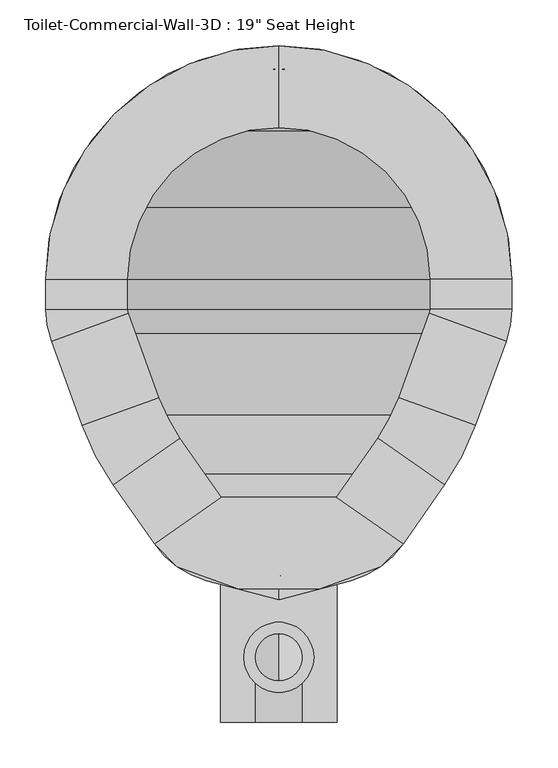
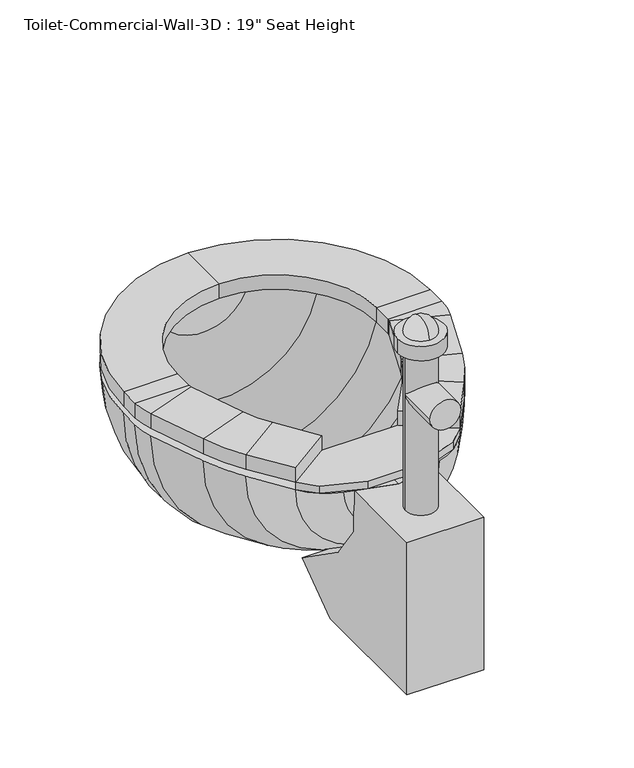
"""IFC4 building model written with IfcOpenShell, lengths in millimetres: flow terminal geometry."""

from ifc_helpers import new_model, si_unit, point, frame, frame_2d, origin, place, context, project, spatial, polyline, circle_curve, ellipse_curve, trimmed, segment, composite_curve, outline, extrude, source, transform, mapped, element, save
from ifc_brep_helpers import plane_surface, cylinder_surface, revolved_surface, advanced_brep


def flow_terminal_4a5f8e69(model_context):
    return source(origin(), model_context, "Body", "SolidModel", [
        extrude(outline(polyline([(467.7541169, 395.8472495), (540.5767337, 344.8563043), (515.6262519, 319.9058226), (449.563909, 295.8610961), (360.2423986, 295.8610961), (294.1800557, 319.9058226), (269.229574, 344.8563043), (342.0521907, 395.8472495), (467.7541169, 395.8472495)])), frame((0.0, 0.0, 444.5), z_axis=(0.0, 0.0, 1.0), x_axis=(1.0, 0.0, 0.0)), (0.0, 0.0, 1.0), 12.7),
        advanced_brep(
        [(467.7541169, 395.8472495, 457.2), (540.5767337, 344.8563043, 457.2), (540.5767337, 344.8563043, 482.6), (467.7541169, 395.8472495, 482.6), (512.8583992, 460.2628403, 457.2), (585.6810159, 409.2718951, 457.2), (585.6810159, 409.2718951, 482.6), (512.8583992, 460.2628403, 482.6), (619.360053, 473.9687234, 457.2), (535.821379, 504.3743141, 457.2), (619.360053, 473.9687234, 482.6), (535.821379, 504.3743141, 482.6), (569.2372501, 596.1836654, 457.2), (652.7759241, 565.7780747, 457.2), (652.7759241, 565.7780747, 482.6), (569.2372501, 596.1836654, 482.6), (658.9031538, 600.5273212, 457.2), (570.0031538, 600.5273212, 457.2), (658.9031538, 600.5273212, 482.6), (570.0031538, 600.5273212, 482.6), (570.0031538, 633.4125, 457.2), (658.9031538, 633.4125, 457.2), (658.9031538, 633.4125, 482.6), (570.0031538, 633.4125, 482.6), (404.9031538, 887.4125, 457.2), (404.9031538, 798.5125, 457.2), (404.9031538, 887.4125, 482.6), (404.9031538, 798.5125, 482.6), (150.9031538, 633.4125, 457.2), (239.8031538, 633.4125, 457.2), (150.9031538, 633.4125, 482.6), (239.8031538, 633.4125, 482.6), (239.8031538, 600.5273212, 457.2), (150.9031538, 600.5273212, 457.2), (150.9031538, 600.5273212, 482.6), (239.8031538, 600.5273212, 482.6), (157.0303835, 565.7780747, 457.2), (240.5690575, 596.1836654, 457.2), (157.0303835, 565.7780747, 482.6), (240.5690575, 596.1836654, 482.6), (273.9849286, 504.3743141, 457.2), (190.4462546, 473.9687234, 457.2), (190.4462546, 473.9687234, 482.6), (273.9849286, 504.3743141, 482.6), (224.1252917, 409.2718951, 457.2), (296.9479084, 460.2628403, 457.2), (224.1252917, 409.2718951, 482.6), (296.9479084, 460.2628403, 482.6), (342.0521907, 395.8472495, 457.2), (342.0521907, 395.8472495, 482.6), (269.229574, 344.8563043, 482.6), (269.229574, 344.8563043, 457.2)],
        [
            (0, 1),
            (1, 2),
            (2, 3),
            (3, 0),
            (0, 4),
            (4, 5),
            (5, 1),
            (5, 6),
            (6, 2),
            (6, 7),
            (7, 3),
            (7, 4),
            (8, 5, circle_curve(frame((356.8099347, 569.5291514, 457.2), z_axis=(0.0, 0.0, -1.0), x_axis=(0.81915204428899, -0.5735764363510486, 0.0)), 279.4)),
            (4, 9, circle_curve(frame((356.8099347, 569.5291514, 457.2), z_axis=(0.0, 0.0, 1.0), x_axis=(0.81915204428899, -0.5735764363510486, 0.0)), 190.5)),
            (9, 8),
            (10, 6, circle_curve(frame((356.8099347, 569.5291514, 482.6), z_axis=(0.0, 0.0, -1.0), x_axis=(0.81915204428899, -0.5735764363510486, 0.0)), 279.4)),
            (8, 10),
            (11, 7, circle_curve(frame((356.8099347, 569.5291514, 482.6), z_axis=(0.0, 0.0, -1.0), x_axis=(0.81915204428899, -0.5735764363510486, 0.0)), 190.5)),
            (10, 11),
            (11, 9),
            (9, 12),
            (12, 13),
            (13, 8),
            (13, 14),
            (14, 10),
            (14, 15),
            (15, 11),
            (15, 12),
            (16, 13, circle_curve(frame((557.3031538, 600.5273212, 457.2), z_axis=(0.0, 0.0, -1.0), x_axis=(0.939692620785906, -0.34202014332567526, 0.0)), 101.6)),
            (12, 17, circle_curve(frame((557.3031538, 600.5273212, 457.2), z_axis=(0.0, 0.0, 1.0), x_axis=(0.939692620785906, -0.34202014332567526, 0.0)), 12.7)),
            (17, 16),
            (18, 14, circle_curve(frame((557.3031538, 600.5273212, 482.6), z_axis=(0.0, 0.0, -1.0), x_axis=(0.939692620785906, -0.34202014332567526, 0.0)), 101.6)),
            (16, 18),
            (19, 15, circle_curve(frame((557.3031538, 600.5273212, 482.6), z_axis=(0.0, 0.0, -1.0), x_axis=(0.939692620785906, -0.34202014332567526, 0.0)), 12.7)),
            (18, 19),
            (19, 17),
            (17, 20),
            (20, 21),
            (21, 16),
            (21, 22),
            (22, 18),
            (22, 23),
            (23, 19),
            (23, 20),
            (24, 21, circle_curve(frame((404.9031538, 633.4125, 457.2), z_axis=(0.0, 0.0, -1.0), x_axis=(1.0, 0.0, 0.0)), 254.0)),
            (20, 25, circle_curve(frame((404.9031538, 633.4125, 457.2), z_axis=(0.0, 0.0, 1.0), x_axis=(1.0, 0.0, 0.0)), 165.1)),
            (25, 24),
            (26, 22, circle_curve(frame((404.9031538, 633.4125, 482.6), z_axis=(0.0, 0.0, -1.0), x_axis=(1.0, 0.0, 0.0)), 254.0)),
            (24, 26),
            (27, 23, circle_curve(frame((404.9031538, 633.4125, 482.6), z_axis=(0.0, 0.0, -1.0), x_axis=(1.0, 0.0, 0.0)), 165.1)),
            (26, 27),
            (27, 25),
            (28, 24, circle_curve(frame((404.9031538, 633.4125, 457.2), z_axis=(0.0, 0.0, -1.0), x_axis=(0.0, 1.0, 0.0)), 254.0)),
            (25, 29, circle_curve(frame((404.9031538, 633.4125, 457.2), z_axis=(0.0, 0.0, 1.0), x_axis=(0.0, 1.0, 0.0)), 165.1)),
            (29, 28),
            (30, 26, circle_curve(frame((404.9031538, 633.4125, 482.6), z_axis=(0.0, 0.0, -1.0), x_axis=(0.0, 1.0, 0.0)), 254.0)),
            (28, 30),
            (31, 27, circle_curve(frame((404.9031538, 633.4125, 482.6), z_axis=(0.0, 0.0, -1.0), x_axis=(0.0, 1.0, 0.0)), 165.1)),
            (30, 31),
            (31, 29),
            (29, 32),
            (32, 33),
            (33, 28),
            (33, 34),
            (34, 30),
            (34, 35),
            (35, 31),
            (35, 32),
            (36, 33, circle_curve(frame((252.5031538, 600.5273212, 457.2), z_axis=(0.0, 0.0, -1.0), x_axis=(-1.0, 0.0, 0.0)), 101.6)),
            (32, 37, circle_curve(frame((252.5031538, 600.5273212, 457.2), z_axis=(0.0, 0.0, 1.0), x_axis=(-1.0, 0.0, 0.0)), 12.7)),
            (37, 36),
            (38, 34, circle_curve(frame((252.5031538, 600.5273212, 482.6), z_axis=(0.0, 0.0, -1.0), x_axis=(-1.0, 0.0, 0.0)), 101.6)),
            (36, 38),
            (39, 35, circle_curve(frame((252.5031538, 600.5273212, 482.6), z_axis=(0.0, 0.0, -1.0), x_axis=(-1.0, 0.0, 0.0)), 12.7)),
            (38, 39),
            (39, 37),
            (37, 40),
            (40, 41),
            (41, 36),
            (41, 42),
            (42, 38),
            (42, 43),
            (43, 39),
            (43, 40),
            (44, 41, circle_curve(frame((452.9963729, 569.5291514, 457.2), z_axis=(0.0, 0.0, -1.0), x_axis=(-0.9396926207859088, -0.3420201433256676, 0.0)), 279.4)),
            (40, 45, circle_curve(frame((452.9963729, 569.5291514, 457.2), z_axis=(0.0, 0.0, 1.0), x_axis=(-0.9396926207859088, -0.3420201433256676, 0.0)), 190.5)),
            (45, 44),
            (46, 42, circle_curve(frame((452.9963729, 569.5291514, 482.6), z_axis=(0.0, 0.0, -1.0), x_axis=(-0.9396926207859088, -0.3420201433256676, 0.0)), 279.4)),
            (44, 46),
            (47, 43, circle_curve(frame((452.9963729, 569.5291514, 482.6), z_axis=(0.0, 0.0, -1.0), x_axis=(-0.9396926207859088, -0.3420201433256676, 0.0)), 190.5)),
            (46, 47),
            (47, 45),
            (48, 49),
            (49, 50),
            (50, 51),
            (51, 48),
            (45, 48),
            (51, 44),
            (50, 46),
            (49, 47),
        ],
        [
            plane_surface(frame((540.5767337, 344.8563043, 541.2203184), z_axis=(-0.5735764363510383, -0.8191520442889972, 0.0), x_axis=(0.8191520442889972, -0.5735764363510383, 0.0))),
            plane_surface(frame((467.7541169, 395.8472495, 457.2), z_axis=(0.0, 0.0, -1.0), x_axis=(0.573576436351038, 0.8191520442889975, 0.0))),
            plane_surface(frame((540.5767337, 344.8563043, 457.2), z_axis=(0.8191520442889971, -0.5735764363510386, 0.0), x_axis=(0.5735764363510386, 0.8191520442889971, 0.0))),
            plane_surface(frame((540.5767337, 344.8563043, 482.6), z_axis=(0.0, 0.0, 1.0000000000000002), x_axis=(0.5735764363510377, 0.8191520442889978, 0.0))),
            plane_surface(frame((467.7541169, 395.8472495, 482.6), z_axis=(-0.8191520442889973, 0.5735764363510383, 0.0), x_axis=(0.5735764363510383, 0.8191520442889973, 0.0))),
            plane_surface(frame((356.8099347, 569.5291514, 457.2), z_axis=(0.0, 0.0, -1.0), x_axis=(0.81915204428899, -0.5735764363510486, 0.0))),
            cylinder_surface(frame((356.8099347, 569.5291514, 444.5), z_axis=(0.0, 0.0, 1.0), x_axis=(0.81915204428899, -0.5735764363510486, 0.0)), 279.4),
            plane_surface(frame((356.8099347, 569.5291514, 482.6), z_axis=(0.0, 0.0, 1.0), x_axis=(0.81915204428899, -0.5735764363510486, 0.0))),
            revolved_surface(polyline([(512.8583991370526, 460.2628402751253, 482.6), (512.8583991370526, 460.2628402751253, 457.2)]), (356.8099347, 569.5291514, 444.5), (0.0, 0.0, 1.0)),
            plane_surface(frame((535.821379, 504.3743141, 457.2), z_axis=(0.0, 0.0, -1.0000000000000002), x_axis=(0.34202014332566616, 0.9396926207859094, 0.0))),
            plane_surface(frame((619.360053, 473.9687234, 457.2), z_axis=(0.93969262078591, -0.3420201433256645, 0.0), x_axis=(0.3420201433256645, 0.93969262078591, 0.0))),
            plane_surface(frame((619.360053, 473.9687234, 482.6), z_axis=(0.0, 0.0, 1.0000000000000002), x_axis=(0.3420201433256645, 0.93969262078591, 0.0))),
            plane_surface(frame((535.821379, 504.3743141, 482.6), z_axis=(-0.9396926207859094, 0.34202014332566616, 0.0), x_axis=(0.34202014332566616, 0.9396926207859094, 0.0))),
            plane_surface(frame((557.3031538, 600.5273212, 457.2), z_axis=(0.0, 0.0, -1.0), x_axis=(0.939692620785906, -0.34202014332567526, 0.0))),
            cylinder_surface(frame((557.3031538, 600.5273212, 444.5), z_axis=(0.0, 0.0, 1.0), x_axis=(0.939692620785906, -0.34202014332567526, 0.0)), 101.6),
            plane_surface(frame((557.3031538, 600.5273212, 482.6), z_axis=(0.0, 0.0, 1.0), x_axis=(0.939692620785906, -0.34202014332567526, 0.0))),
            revolved_surface(polyline([(569.237250083981, 596.1836653797639, 482.6), (569.237250083981, 596.1836653797639, 457.2)]), (557.3031538, 600.5273212, 444.5), (0.0, 0.0, 1.0)),
            plane_surface(frame((570.0031538, 600.5273212, 457.2), z_axis=(0.0, 0.0, -1.0), x_axis=(0.0, 1.0, 0.0))),
            plane_surface(frame((658.9031538, 600.5273212, 457.2), z_axis=(1.0, 0.0, 0.0), x_axis=(0.0, 1.0, 0.0))),
            plane_surface(frame((658.9031538, 600.5273212, 482.6), z_axis=(0.0, 0.0, 1.0), x_axis=(0.0, 1.0, 0.0))),
            plane_surface(frame((570.0031538, 600.5273212, 482.6), z_axis=(-1.0, 0.0, 0.0), x_axis=(0.0, 1.0, 0.0))),
            plane_surface(frame((404.9031538, 633.4125, 457.2), z_axis=(0.0, 0.0, -1.0), x_axis=(1.0, 0.0, 0.0))),
            cylinder_surface(frame((404.9031538, 633.4125, 444.5), z_axis=(0.0, 0.0, 1.0), x_axis=(1.0, 0.0, 0.0)), 254.0),
            plane_surface(frame((404.9031538, 633.4125, 482.6), z_axis=(0.0, 0.0, 1.0), x_axis=(1.0, 0.0, 0.0))),
            revolved_surface(polyline([(570.0031538, 633.4125, 482.6), (570.0031538, 633.4125, 457.2)]), (404.9031538, 633.4125, 444.5), (0.0, 0.0, 1.0)),
            plane_surface(frame((404.9031538, 633.4125, 457.2), z_axis=(0.0, 0.0, -1.0), x_axis=(0.0, 1.0, 0.0))),
            cylinder_surface(frame((404.9031538, 633.4125, 444.5), z_axis=(0.0, 0.0, 1.0), x_axis=(0.0, 1.0, 0.0)), 254.0),
            plane_surface(frame((404.9031538, 633.4125, 482.6), z_axis=(0.0, 0.0, 1.0), x_axis=(0.0, 1.0, 0.0))),
            revolved_surface(polyline([(404.9031538, 798.5125, 482.6), (404.9031538, 798.5125, 457.2)]), (404.9031538, 633.4125, 444.5), (0.0, 0.0, 1.0)),
            plane_surface(frame((239.8031538, 633.4125, 457.2), z_axis=(0.0, 0.0, -1.0), x_axis=(0.0, -1.0, 0.0))),
            plane_surface(frame((150.9031538, 633.4125, 457.2), z_axis=(-1.0, 0.0, 0.0), x_axis=(0.0, -1.0, 0.0))),
            plane_surface(frame((150.9031538, 633.4125, 482.6), z_axis=(0.0, 0.0, 1.0), x_axis=(0.0, -1.0, 0.0))),
            plane_surface(frame((239.8031538, 633.4125, 482.6), z_axis=(1.0, 0.0, 0.0), x_axis=(0.0, -1.0, 0.0))),
            plane_surface(frame((252.5031538, 600.5273212, 457.2), z_axis=(0.0, 0.0, -1.0), x_axis=(-1.0, 0.0, 0.0))),
            cylinder_surface(frame((252.5031538, 600.5273212, 444.5), z_axis=(0.0, 0.0, 1.0), x_axis=(-1.0, 0.0, 0.0)), 101.6),
            plane_surface(frame((252.5031538, 600.5273212, 482.6), z_axis=(0.0, 0.0, 1.0), x_axis=(-1.0, 0.0, 0.0))),
            revolved_surface(polyline([(239.80315380000002, 600.5273212, 482.6), (239.80315380000002, 600.5273212, 457.2)]), (252.5031538, 600.5273212, 444.5), (0.0, 0.0, 1.0)),
            plane_surface(frame((240.5690575, 596.1836654, 457.2), z_axis=(0.0, 0.0, -1.0), x_axis=(0.34202014332565567, -0.9396926207859132, 0.0))),
            plane_surface(frame((157.0303835, 565.7780747, 457.2), z_axis=(-0.9396926207859132, -0.34202014332565556, 0.0), x_axis=(0.34202014332565556, -0.9396926207859132, 0.0))),
            plane_surface(frame((157.0303835, 565.7780747, 482.6), z_axis=(0.0, 0.0, 1.0), x_axis=(0.3420201433256559, -0.9396926207859131, 0.0))),
            plane_surface(frame((240.5690575, 596.1836654, 482.6), z_axis=(0.9396926207859132, 0.34202014332565567, 0.0), x_axis=(0.34202014332565567, -0.9396926207859132, 0.0))),
            plane_surface(frame((452.9963729, 569.5291514, 457.2), z_axis=(0.0, 0.0, -1.0), x_axis=(-0.9396926207859088, -0.3420201433256676, 0.0))),
            cylinder_surface(frame((452.9963729, 569.5291514, 444.5), z_axis=(0.0, 0.0, 1.0), x_axis=(-0.9396926207859088, -0.3420201433256676, 0.0)), 279.4),
            plane_surface(frame((452.9963729, 569.5291514, 482.6), z_axis=(0.0, 0.0, 1.0), x_axis=(-0.9396926207859088, -0.3420201433256676, 0.0))),
            revolved_surface(polyline([(273.98492864028435, 504.37431409646035, 482.6), (273.98492864028435, 504.37431409646035, 457.2)]), (452.9963729, 569.5291514, 444.5), (0.0, 0.0, 1.0)),
            plane_surface(frame((269.229574, 344.8563043, 347.7796816), z_axis=(0.5735764363510499, -0.8191520442889892, 0.0), x_axis=(0.8191520442889892, 0.5735764363510499, 0.0))),
            plane_surface(frame((296.9479084, 460.2628403, 457.2), z_axis=(0.0, 0.0, -1.0000000000000002), x_axis=(0.57357643635105, -0.8191520442889891, 0.0))),
            plane_surface(frame((224.1252917, 409.2718951, 457.2), z_axis=(-0.8191520442889892, -0.5735764363510497, 0.0), x_axis=(0.5735764363510497, -0.8191520442889892, 0.0))),
            plane_surface(frame((224.1252917, 409.2718951, 482.6), z_axis=(0.0, 0.0, 1.0), x_axis=(0.5735764363510497, -0.8191520442889892, 0.0))),
            plane_surface(frame((296.9479084, 460.2628403, 482.6), z_axis=(0.8191520442889894, 0.5735764363510496, 0.0), x_axis=(0.5735764363510496, -0.8191520442889894, 0.0))),
        ],
        [
            (0, [[1, 2, 3, 4]]),
            (1, [[-1, 5, 6, 7]]),
            (2, [[-2, -7, 8, 9]]),
            (3, [[-3, -9, 10, 11]]),
            (4, [[-4, -11, 12, -5]]),
            (5, [[13, -6, 14, 15]]),
            (6, [[16, -8, -13, 17]]),
            (7, [[18, -10, -16, 19]]),
            (8, [[-14, -12, -18, 20]]),
            (9, [[-15, 21, 22, 23]]),
            (10, [[-17, -23, 24, 25]]),
            (11, [[-19, -25, 26, 27]]),
            (12, [[-20, -27, 28, -21]]),
            (13, [[29, -22, 30, 31]]),
            (14, [[32, -24, -29, 33]]),
            (15, [[34, -26, -32, 35]]),
            (16, [[-30, -28, -34, 36]]),
            (17, [[-31, 37, 38, 39]]),
            (18, [[-33, -39, 40, 41]]),
            (19, [[-35, -41, 42, 43]]),
            (20, [[-36, -43, 44, -37]]),
            (21, [[45, -38, 46, 47]]),
            (22, [[48, -40, -45, 49]]),
            (23, [[50, -42, -48, 51]]),
            (24, [[-46, -44, -50, 52]]),
            (25, [[53, -47, 54, 55]]),
            (26, [[56, -49, -53, 57]]),
            (27, [[58, -51, -56, 59]]),
            (28, [[-54, -52, -58, 60]]),
            (29, [[-55, 61, 62, 63]]),
            (30, [[-57, -63, 64, 65]]),
            (31, [[-59, -65, 66, 67]]),
            (32, [[-60, -67, 68, -61]]),
            (33, [[69, -62, 70, 71]]),
            (34, [[72, -64, -69, 73]]),
            (35, [[74, -66, -72, 75]]),
            (36, [[-70, -68, -74, 76]]),
            (37, [[-71, 77, 78, 79]]),
            (38, [[-73, -79, 80, 81]]),
            (39, [[-75, -81, 82, 83]]),
            (40, [[-76, -83, 84, -77]]),
            (41, [[85, -78, 86, 87]]),
            (42, [[88, -80, -85, 89]]),
            (43, [[90, -82, -88, 91]]),
            (44, [[-86, -84, -90, 92]]),
            (45, [[93, 94, 95, 96]]),
            (46, [[-87, 97, -96, 98]]),
            (47, [[-89, -98, -95, 99]]),
            (48, [[-91, -99, -94, 100]]),
            (49, [[-92, -100, -93, -97]]),
        ],
    ),
        advanced_brep(
        [(491.7762702, 872.0944257, 444.5), (404.9031538, 887.4125, 444.5), (404.9031538, 862.0125, 444.5), (483.0889586, 848.2262331, 444.5), (566.547764, 795.0571102, 444.5), (619.7168869, 711.5983048, 444.5), (633.5031538, 633.4125, 444.5), (633.5031538, 600.5273212, 444.5), (628.9077315, 574.4653863, 444.5), (596.6355667, 485.7983422, 444.5), (562.9565296, 421.1015139, 444.5), (525.0728964, 366.9980786, 444.5), (468.1430637, 327.1353806, 444.5), (404.9031538, 310.1902978, 444.5), (404.9031538, 283.8942829, 444.5), (483.6469009, 304.9936063, 444.5), (540.5767337, 344.8563043, 444.5), (585.6810159, 409.2718951, 444.5), (619.360053, 473.9687234, 444.5), (652.7759241, 565.7780747, 444.5), (658.9031538, 600.5273212, 444.5), (658.9031538, 633.4125, 444.5), (643.5850795, 720.2856164, 444.5), (584.5082762, 813.0176224, 444.5), (318.0300374, 872.0944257, 444.5), (225.2980314, 813.0176224, 444.5), (166.2212281, 720.2856164, 444.5), (150.9031538, 633.4125, 444.5), (150.9031538, 600.5273212, 444.5), (157.0303835, 565.7780747, 444.5), (190.4462546, 473.9687234, 444.5), (224.1252917, 409.2718951, 444.5), (269.229574, 344.8563043, 444.5), (326.1594067, 304.9936063, 444.5), (341.663244, 327.1353806, 444.5), (284.7334112, 366.9980786, 444.5), (246.849778, 421.1015139, 444.5), (213.1707409, 485.7983422, 444.5), (180.8985761, 574.4653863, 444.5), (176.3031538, 600.5273212, 444.5), (176.3031538, 633.4125, 444.5), (190.0894207, 711.5983048, 444.5), (243.2585436, 795.0571102, 444.5), (326.7173491, 848.2262331, 444.5)],
        [
            (0, 1, circle_curve(frame((404.9031538, 633.4125, 444.5), z_axis=(0.0, 0.0, 1.0), x_axis=(1.0, 0.0, 0.0)), 254.0)),
            (1, 2),
            (2, 3, circle_curve(frame((404.9031538, 633.4125, 444.5), z_axis=(0.0, 0.0, -1.0), x_axis=(1.0, 0.0, 0.0)), 228.6)),
            (3, 4, circle_curve(frame((404.9031538, 633.4125, 444.5), z_axis=(0.0, 0.0, -1.0), x_axis=(1.0, 0.0, 0.0)), 228.6)),
            (4, 5, circle_curve(frame((404.9031538, 633.4125, 444.5), z_axis=(0.0, 0.0, -1.0), x_axis=(1.0, 0.0, 0.0)), 228.6)),
            (5, 6, circle_curve(frame((404.9031538, 633.4125, 444.5), z_axis=(0.0, 0.0, -1.0), x_axis=(1.0, 0.0, 0.0)), 228.6)),
            (6, 7),
            (7, 8, circle_curve(frame((557.3031538, 600.5273212, 444.5), z_axis=(0.0, 0.0, -1.0), x_axis=(1.0, 0.0, 0.0)), 76.2)),
            (8, 9),
            (9, 10, circle_curve(frame((334.0854485, 581.3587703, 444.5), z_axis=(0.0, 0.0, -1.0), x_axis=(1.0, 0.0, 0.0)), 279.4)),
            (10, 11),
            (11, 12, circle_curve(frame((441.8470487, 425.2734446, 444.5), z_axis=(0.0, 0.0, -1.0), x_axis=(1.0, 0.0, 0.0)), 101.6)),
            (12, 13),
            (13, 14),
            (14, 15),
            (15, 16, circle_curve(frame((457.350886, 403.1316703, 444.5), z_axis=(0.0, 0.0, 1.0), x_axis=(1.0, 0.0, 0.0)), 101.6)),
            (16, 17),
            (17, 18, circle_curve(frame((356.8099347, 569.5291514, 444.5), z_axis=(0.0, 0.0, 1.0), x_axis=(1.0, 0.0, 0.0)), 279.4)),
            (18, 19),
            (19, 20, circle_curve(frame((557.3031538, 600.5273212, 444.5), z_axis=(0.0, 0.0, 1.0), x_axis=(1.0, 0.0, 0.0)), 101.6)),
            (20, 21),
            (21, 22, circle_curve(frame((404.9031538, 633.4125, 444.5), z_axis=(0.0, 0.0, 1.0), x_axis=(1.0, 0.0, 0.0)), 254.0)),
            (22, 23, circle_curve(frame((404.9031538, 633.4125, 444.5), z_axis=(0.0, 0.0, 1.0), x_axis=(1.0, 0.0, 0.0)), 254.0)),
            (23, 0, circle_curve(frame((404.9031538, 633.4125, 444.5), z_axis=(0.0, 0.0, 1.0), x_axis=(1.0, 0.0, 0.0)), 254.0)),
            (24, 25, circle_curve(frame((404.9031538, 633.4125, 444.5), z_axis=(0.0, 0.0, 1.0), x_axis=(-1.0, 0.0, 0.0)), 254.0)),
            (25, 26, circle_curve(frame((404.9031538, 633.4125, 444.5), z_axis=(0.0, 0.0, 1.0), x_axis=(-1.0, 0.0, 0.0)), 254.0)),
            (26, 27, circle_curve(frame((404.9031538, 633.4125, 444.5), z_axis=(0.0, 0.0, 1.0), x_axis=(-1.0, 0.0, 0.0)), 254.0)),
            (27, 28),
            (28, 29, circle_curve(frame((252.5031538, 600.5273212, 444.5), z_axis=(0.0, 0.0, 1.0), x_axis=(-1.0, 0.0, 0.0)), 101.6)),
            (29, 30),
            (30, 31, circle_curve(frame((452.9963729, 569.5291514, 444.5), z_axis=(0.0, 0.0, 1.0), x_axis=(-1.0, 0.0, 0.0)), 279.4)),
            (31, 32),
            (32, 33, circle_curve(frame((352.4554217, 403.1316703, 444.5), z_axis=(0.0, 0.0, 1.0), x_axis=(-1.0, 0.0, 0.0)), 101.6)),
            (33, 14),
            (13, 34),
            (34, 35, circle_curve(frame((367.9592589, 425.2734446, 444.5), z_axis=(0.0, 0.0, -1.0), x_axis=(-1.0, 0.0, 0.0)), 101.6)),
            (35, 36),
            (36, 37, circle_curve(frame((475.7208592, 581.3587703, 444.5), z_axis=(0.0, 0.0, -1.0), x_axis=(-1.0, 0.0, 0.0)), 279.4)),
            (37, 38),
            (38, 39, circle_curve(frame((252.5031538, 600.5273212, 444.5), z_axis=(0.0, 0.0, -1.0), x_axis=(-1.0, 0.0, 0.0)), 76.2)),
            (39, 40),
            (40, 41, circle_curve(frame((404.9031538, 633.4125, 444.5), z_axis=(0.0, 0.0, -1.0), x_axis=(-1.0, 0.0, 0.0)), 228.6)),
            (41, 42, circle_curve(frame((404.9031538, 633.4125, 444.5), z_axis=(0.0, 0.0, -1.0), x_axis=(-1.0, 0.0, 0.0)), 228.6)),
            (42, 43, circle_curve(frame((404.9031538, 633.4125, 444.5), z_axis=(0.0, 0.0, -1.0), x_axis=(-1.0, 0.0, 0.0)), 228.6)),
            (43, 2, circle_curve(frame((404.9031538, 633.4125, 444.5), z_axis=(0.0, 0.0, -1.0), x_axis=(-1.0, 0.0, 0.0)), 228.6)),
            (1, 24, circle_curve(frame((404.9031538, 633.4125, 444.5), z_axis=(0.0, 0.0, 1.0), x_axis=(-1.0, 0.0, 0.0)), 254.0)),
            (0, 24, circle_curve(frame((404.9031538, 872.0944257, 444.5), z_axis=(0.0, 1.0, 0.0), x_axis=(1.0, 0.0, 0.0)), 86.8731164)),
            (43, 3, circle_curve(frame((404.9031538, 848.2262331, 444.5), z_axis=(0.0, -1.0, 0.0), x_axis=(1.0, 0.0, 0.0)), 78.1858048)),
            (42, 4, circle_curve(frame((404.9031538, 795.0571102, 444.5), z_axis=(0.0, -1.0, 0.0), x_axis=(1.0, 0.0, 0.0)), 161.6446102)),
            (41, 5, circle_curve(frame((404.9031538, 711.5983048, 444.5), z_axis=(0.0, -1.0, 0.0), x_axis=(1.0, 0.0, 0.0)), 214.8137331)),
            (40, 6, circle_curve(frame((404.9031538, 633.4125, 444.5), z_axis=(0.0, -1.0, 0.0), x_axis=(1.0, 0.0, 0.0)), 228.6)),
            (39, 7, circle_curve(frame((404.9031538, 600.5273212, 444.5), z_axis=(0.0, -1.0, 0.0), x_axis=(1.0, 0.0, 0.0)), 228.6)),
            (38, 8, circle_curve(frame((404.9031538, 574.4653863, 444.5), z_axis=(0.0, -1.0, 0.0), x_axis=(1.0, 0.0, 0.0)), 224.0045777)),
            (37, 9, circle_curve(frame((404.9031538, 485.7983422, 444.5), z_axis=(0.0, -1.0, 0.0), x_axis=(1.0, 0.0, 0.0)), 191.7324129)),
            (36, 10, circle_curve(frame((404.9031538, 421.1015139, 444.5), z_axis=(0.0, -1.0, 0.0), x_axis=(1.0, 0.0, 0.0)), 158.0533758)),
            (35, 11, circle_curve(frame((404.9031538, 366.9980786, 444.5), z_axis=(0.0, -1.0, 0.0), x_axis=(1.0, 0.0, 0.0)), 120.1697426)),
            (34, 12, circle_curve(frame((404.9031538, 327.1353806, 444.5), z_axis=(0.0, -1.0, 0.0), x_axis=(1.0, 0.0, 0.0)), 63.2399099)),
            (33, 15, circle_curve(frame((404.9031538, 304.9936063, 444.5), z_axis=(0.0, -1.0, 0.0), x_axis=(1.0, 0.0, 0.0)), 78.7437471)),
            (32, 16, circle_curve(frame((404.9031538, 344.8563043, 444.5), z_axis=(0.0, -1.0, 0.0), x_axis=(1.0, 0.0, 0.0)), 135.6735798)),
            (31, 17, circle_curve(frame((404.9031538, 409.2718951, 444.5), z_axis=(0.0, -1.0, 0.0), x_axis=(1.0, 0.0, 0.0)), 180.7778621)),
            (30, 18, circle_curve(frame((404.9031538, 473.9687234, 444.5), z_axis=(0.0, -1.0, 0.0), x_axis=(1.0, 0.0, 0.0)), 214.4568992)),
            (29, 19, circle_curve(frame((404.9031538, 565.7780747, 444.5), z_axis=(0.0, -1.0, 0.0), x_axis=(1.0, 0.0, 0.0)), 247.8727703)),
            (28, 20, circle_curve(frame((404.9031538, 600.5273212, 444.5), z_axis=(0.0, -1.0, 0.0), x_axis=(1.0, 0.0, 0.0)), 254.0)),
            (27, 21, circle_curve(frame((404.9031538, 633.4125, 444.5), z_axis=(0.0, -1.0, 0.0), x_axis=(1.0, 0.0, 0.0)), 254.0)),
            (26, 22, circle_curve(frame((404.9031538, 720.2856164, 444.5), z_axis=(0.0, -1.0, 0.0), x_axis=(1.0, 0.0, 0.0)), 238.6819257)),
            (25, 23, circle_curve(frame((404.9031538, 813.0176224, 444.5), z_axis=(0.0, -1.0, 0.0), x_axis=(1.0, 0.0, 0.0)), 179.6051224)),
        ],
        [
            plane_surface(frame((404.9031538, 992.6227448, 444.5), z_axis=(0.0, 0.0, 1.0), x_axis=(1.0, 0.0, 0.0))),
            plane_surface(frame((404.9031538, 992.6227448, 444.5), z_axis=(0.0, 0.0, 1.0), x_axis=(-1.0, 0.0, 0.0))),
            revolved_surface(trimmed(ellipse_curve(frame((404.9031538, 633.4125, 444.5), z_axis=(0.0, 0.0, 1.0), x_axis=(1.0, 0.0, 0.0)), 254.0, 254.0), [point((491.7762702, 872.0944257, 444.5))], [point((404.9031538, 887.4125, 444.5))], True, "CARTESIAN"), (404.9031538, 992.6227448, 444.5), (0.0, 1.0, 0.0)),
            revolved_surface(trimmed(ellipse_curve(frame((404.9031538, 633.4125, 444.5), z_axis=(0.0, 0.0, -1.0), x_axis=(1.0, 0.0, 0.0)), 228.6, 228.6), [point((404.9031538, 862.0125, 444.5))], [point((483.0889586, 848.2262331, 444.5))], True, "CARTESIAN"), (404.9031538, 992.6227448, 444.5), (0.0, 1.0, 0.0)),
            revolved_surface(trimmed(ellipse_curve(frame((404.9031538, 633.4125, 444.5), z_axis=(0.0, 0.0, -1.0), x_axis=(1.0, 0.0, 0.0)), 228.6, 228.6), [point((483.0889586, 848.2262331, 444.5))], [point((566.547764, 795.0571102, 444.5))], True, "CARTESIAN"), (404.9031538, 992.6227448, 444.5), (0.0, 1.0, 0.0)),
            revolved_surface(trimmed(ellipse_curve(frame((404.9031538, 633.4125, 444.5), z_axis=(0.0, 0.0, -1.0), x_axis=(1.0, 0.0, 0.0)), 228.6, 228.6), [point((566.547764, 795.0571102, 444.5))], [point((619.7168869, 711.5983048, 444.5))], True, "CARTESIAN"), (404.9031538, 992.6227448, 444.5), (0.0, 1.0, 0.0)),
            revolved_surface(trimmed(ellipse_curve(frame((404.9031538, 633.4125, 444.5), z_axis=(0.0, 0.0, -1.0), x_axis=(1.0, 0.0, 0.0)), 228.6, 228.6), [point((619.7168869, 711.5983048, 444.5))], [point((633.5031538, 633.4125, 444.5))], True, "CARTESIAN"), (404.9031538, 992.6227448, 444.5), (0.0, 1.0, 0.0)),
            revolved_surface(polyline([(633.5031538, 633.4125, 444.5), (633.5031538, 600.5273212, 444.5)]), (404.9031538, 992.6227448, 444.5), (0.0, 1.0, 0.0)),
            revolved_surface(trimmed(ellipse_curve(frame((557.3031538, 600.5273212, 444.5), z_axis=(0.0, 0.0, -1.0), x_axis=(1.0, 0.0, 0.0)), 76.2, 76.2), [point((633.5031538, 600.5273212, 444.5))], [point((628.9077315, 574.4653863, 444.5))], True, "CARTESIAN"), (404.9031538, 992.6227448, 444.5), (0.0, 1.0, 0.0)),
            revolved_surface(polyline([(628.9077315, 574.4653863, 444.5), (596.6355667, 485.7983422, 444.5)]), (404.9031538, 992.6227448, 444.5), (0.0, 1.0, 0.0)),
            revolved_surface(trimmed(ellipse_curve(frame((334.0854485, 581.3587703, 444.5), z_axis=(0.0, 0.0, -1.0), x_axis=(1.0, 0.0, 0.0)), 279.4, 279.4), [point((596.6355667, 485.7983422, 444.5))], [point((562.9565296, 421.1015139, 444.5))], True, "CARTESIAN"), (404.9031538, 992.6227448, 444.5), (0.0, 1.0, 0.0)),
            revolved_surface(polyline([(562.9565296, 421.1015139, 444.5), (525.0728964, 366.9980786, 444.5)]), (404.9031538, 992.6227448, 444.5), (0.0, 1.0, 0.0)),
            revolved_surface(trimmed(ellipse_curve(frame((441.8470487, 425.2734446, 444.5), z_axis=(0.0, 0.0, -1.0), x_axis=(1.0, 0.0, 0.0)), 101.6, 101.6), [point((525.0728964, 366.9980786, 444.5))], [point((468.1430637, 327.1353806, 444.5))], True, "CARTESIAN"), (404.9031538, 992.6227448, 444.5), (0.0, 1.0, 0.0)),
            revolved_surface(polyline([(468.1430637, 327.1353806, 444.5), (404.9031538, 310.1902978, 444.5)]), (404.9031538, 992.6227448, 444.5), (0.0, 1.0, 0.0)),
            revolved_surface(polyline([(404.9031538, 283.8942829, 444.5), (483.6469009, 304.9936063, 444.5)]), (404.9031538, 992.6227448, 444.5), (0.0, 1.0, 0.0)),
            revolved_surface(trimmed(ellipse_curve(frame((457.350886, 403.1316703, 444.5), z_axis=(0.0, 0.0, 1.0), x_axis=(1.0, 0.0, 0.0)), 101.6, 101.6), [point((483.6469009, 304.9936063, 444.5))], [point((540.5767337, 344.8563043, 444.5))], True, "CARTESIAN"), (404.9031538, 992.6227448, 444.5), (0.0, 1.0, 0.0)),
            revolved_surface(polyline([(540.5767337, 344.8563043, 444.5), (585.6810159, 409.2718951, 444.5)]), (404.9031538, 992.6227448, 444.5), (0.0, 1.0, 0.0)),
            revolved_surface(trimmed(ellipse_curve(frame((356.8099347, 569.5291514, 444.5), z_axis=(0.0, 0.0, 1.0), x_axis=(1.0, 0.0, 0.0)), 279.4, 279.4), [point((585.6810159, 409.2718951, 444.5))], [point((619.360053, 473.9687234, 444.5))], True, "CARTESIAN"), (404.9031538, 992.6227448, 444.5), (0.0, 1.0, 0.0)),
            revolved_surface(polyline([(619.360053, 473.9687234, 444.5), (652.7759241, 565.7780747, 444.5)]), (404.9031538, 992.6227448, 444.5), (0.0, 1.0, 0.0)),
            revolved_surface(trimmed(ellipse_curve(frame((557.3031538, 600.5273212, 444.5), z_axis=(0.0, 0.0, 1.0), x_axis=(1.0, 0.0, 0.0)), 101.6, 101.6), [point((652.7759241, 565.7780747, 444.5))], [point((658.9031538, 600.5273212, 444.5))], True, "CARTESIAN"), (404.9031538, 992.6227448, 444.5), (0.0, 1.0, 0.0)),
            cylinder_surface(frame((404.9031538, 992.6227448, 444.5), z_axis=(0.0, 1.0, 0.0), x_axis=(1.0, 0.0, 0.0)), 254.0),
            revolved_surface(trimmed(ellipse_curve(frame((404.9031538, 633.4125, 444.5), z_axis=(0.0, 0.0, 1.0), x_axis=(1.0, 0.0, 0.0)), 254.0, 254.0), [point((658.9031538, 633.4125, 444.5))], [point((643.5850795, 720.2856164, 444.5))], True, "CARTESIAN"), (404.9031538, 992.6227448, 444.5), (0.0, 1.0, 0.0)),
            revolved_surface(trimmed(ellipse_curve(frame((404.9031538, 633.4125, 444.5), z_axis=(0.0, 0.0, 1.0), x_axis=(1.0, 0.0, 0.0)), 254.0, 254.0), [point((643.5850795, 720.2856164, 444.5))], [point((584.5082762, 813.0176224, 444.5))], True, "CARTESIAN"), (404.9031538, 992.6227448, 444.5), (0.0, 1.0, 0.0)),
            revolved_surface(trimmed(ellipse_curve(frame((404.9031538, 633.4125, 444.5), z_axis=(0.0, 0.0, 1.0), x_axis=(1.0, 0.0, 0.0)), 254.0, 254.0), [point((584.5082762, 813.0176224, 444.5))], [point((491.7762702, 872.0944257, 444.5))], True, "CARTESIAN"), (404.9031538, 992.6227448, 444.5), (0.0, 1.0, 0.0)),
        ],
        [
            (0, [[1, 2, 3, 4, 5, 6, 7, 8, 9, 10, 11, 12, 13, 14, 15, 16, 17, 18, 19, 20, 21, 22, 23, 24]]),
            (1, [[25, 26, 27, 28, 29, 30, 31, 32, 33, 34, -14, 35, 36, 37, 38, 39, 40, 41, 42, 43, 44, 45, -2, 46]]),
            (2, [[-1, 47, -46]]),
            (3, [[48, -3, -45]]),
            (4, [[49, -4, -48, -44]]),
            (5, [[50, -5, -49, -43]]),
            (6, [[51, -6, -50, -42]]),
            (7, [[52, -7, -51, -41]]),
            (8, [[53, -8, -52, -40]]),
            (9, [[54, -9, -53, -39]]),
            (10, [[55, -10, -54, -38]]),
            (11, [[56, -11, -55, -37]]),
            (12, [[57, -12, -56, -36]]),
            (13, [[-13, -57, -35]]),
            (14, [[58, -15, -34]]),
            (15, [[59, -16, -58, -33]]),
            (16, [[60, -17, -59, -32]]),
            (17, [[61, -18, -60, -31]]),
            (18, [[62, -19, -61, -30]]),
            (19, [[63, -20, -62, -29]]),
            (20, [[64, -21, -63, -28]]),
            (21, [[65, -22, -64, -27]]),
            (22, [[66, -23, -65, -26]]),
            (23, [[-47, -24, -66, -25]]),
        ],
    ),
        advanced_brep(
        [(404.9031538, 195.7301912, 749.3), (404.9031538, 246.9653563, 749.3), (404.9031538, 221.3477737, 774.9175826), (404.9031538, 221.3477737, 749.3)],
        [
            (0, 1, circle_curve(frame((404.9031538, 221.3477737, 749.3), z_axis=(0.0, 0.0, 1.0), x_axis=(0.0, 1.0, 0.0)), 25.6175826)),
            (1, 2, circle_curve(frame((404.9031538, 221.3477737, 749.3), z_axis=(1.0, 0.0, 0.0), x_axis=(0.0, -1.0, 0.0)), 25.6175826)),
            (2, 0, circle_curve(frame((404.9031538, 221.3477737, 749.3), z_axis=(1.0, 0.0, 0.0), x_axis=(0.0, 1.0, 0.0)), 25.6175826)),
            (1, 0, circle_curve(frame((404.9031538, 221.3477737, 749.3), z_axis=(0.0, 0.0, 1.0), x_axis=(0.0, 1.0, 0.0)), 25.6175826)),
            (3, 1),
            (0, 3),
        ],
        [
            revolved_surface(trimmed(ellipse_curve(frame((404.9031538, 221.3477737, 749.3), z_axis=(-1.0, 0.0, 0.0), x_axis=(0.0, -1.0, 0.0)), 25.6175826, 25.6175826), [point((404.9031538, 221.3477737, 774.9175826))], [point((404.9031538, 246.9653563, 749.3))], True, "CARTESIAN"), (404.9031538, 221.3477737, 813.9277273), (0.0, 0.0, -1.0)),
            plane_surface(frame((404.9031538, 221.3477737, 749.3), z_axis=(0.0, 0.0, -1.0), x_axis=(0.0, 1.0, 0.0))),
        ],
        [
            (0, [[1, 2, 3]]),
            (0, [[4, -3, -2]]),
            (1, [[5, -1, 6]]),
            (1, [[-6, -4, -5]]),
        ],
    ),
        extrude(outline(composite_curve([segment(trimmed(circle_curve(frame_2d((404.9031538, 221.3477737)), 38.1), [point((366.8031538, 221.3477737))], [point((443.0031538, 221.3477737))], False, "CARTESIAN"), True, "CONTINUOUS"), segment(trimmed(circle_curve(frame_2d((404.9031538, 221.3477737)), 38.1), [point((443.0031538, 221.3477737))], [point((366.8031538, 221.3477737))], False, "CARTESIAN"), True, "CONTINUOUS")], self_intersect=False)), frame((0.0, 0.0, 723.9), z_axis=(0.0, 0.0, 1.0), x_axis=(1.0, 0.0, 0.0)), (0.0, 0.0, 1.0), 25.4),
        extrude(outline(composite_curve([segment(trimmed(circle_curve(frame_2d((645.8113641, 404.9031538)), 25.4), [point((645.8113641, 379.5031538))], [point((645.8113641, 430.3031538))], False, "CARTESIAN"), True, "CONTINUOUS"), segment(trimmed(circle_curve(frame_2d((645.8113641, 404.9031538)), 25.4), [point((645.8113641, 430.3031538))], [point((645.8113641, 379.5031538))], False, "CARTESIAN"), True, "CONTINUOUS")], self_intersect=False)), frame((0.0, 150.8125, 0.0), z_axis=(0.0, 1.0, 0.0), x_axis=(0.0, 0.0, 1.0)), (0.0, 0.0, 1.0), 70.64375),
        extrude(outline(composite_curve([segment(trimmed(circle_curve(frame_2d((404.9031538, 221.3477737)), 25.4), [point((379.5031538, 221.3477737))], [point((430.3031538, 221.3477737))], False, "CARTESIAN"), True, "CONTINUOUS"), segment(trimmed(circle_curve(frame_2d((404.9031538, 221.3477737)), 25.4), [point((430.3031538, 221.3477737))], [point((379.5031538, 221.3477737))], False, "CARTESIAN"), True, "CONTINUOUS")], self_intersect=False)), frame((0.0, 0.0, 444.5), z_axis=(0.0, 0.0, 1.0), x_axis=(1.0, 0.0, 0.0)), (0.0, 0.0, 1.0), 279.4),
        extrude(outline(polyline([(303.6162941, 444.5), (303.6162941, 370.896452), (347.3228185, 308.4770663), (451.3551282, 235.6328588), (370.8579017, 177.8), (150.8125, 177.8), (150.8125, 444.5), (303.6162941, 444.5)])), frame((341.4031538, 0.0, 0.0), z_axis=(1.0, 0.0, 0.0), x_axis=(0.0, 1.0, 0.0)), (0.0, 0.0, 1.0), 127.0),
    ])


if __name__ == "__main__":
    model = new_model("IFC4")
    model_context = context("Model", 3, world=origin())
    ifc_project = project(units=[si_unit("LENGTHUNIT", "METRE", prefix="MILLI")], contexts=[model_context])
    site = spatial("IfcSite", under=ifc_project)
    building = spatial("IfcBuilding", under=site)
    placement = place(None, origin())
    flow_terminal_shape = flow_terminal_4a5f8e69(model_context)
    element("IfcFlowTerminal", 1, ObjectType="Toilet-Commercial-Wall-3D : 19\" Seat Height", at=placement, inside=building, context=model_context, shape_type="MappedRepresentation", body=[
        mapped(flow_terminal_shape, transform((0.0, 0.0, 0.0), x_axis=(1.0, 0.0, 0.0), y_axis=(0.0, 1.0, 0.0), z_axis=(0.0, 0.0, 1.0))),
    ])
    save(model, "model.ifc")
